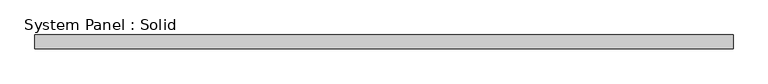
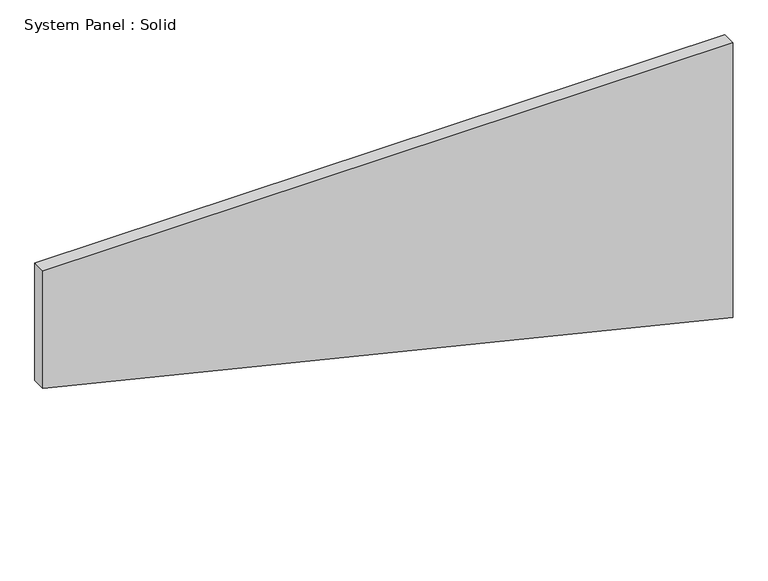
"""IFC4 building model written with IfcOpenShell, lengths in millimetres: plate geometry, System Panel : Solid."""

from ifc_helpers import new_model, si_unit, frame, origin, place, context, project, spatial, polyline, outline, extrude, source, transform, mapped, element, save


def system_panel_solid_83214e53(model_context):
    return source(origin(), model_context, "Body", "SweptSolid", [
        extrude(outline(polyline([(724.8500179, -1500.0), (0.0, 1500.0), (1264.4006302, 1500.0), (1264.4006302, -1500.0), (724.8500179, -1500.0)])), frame((0.0, -10.5, 0.0), z_axis=(0.0, 1.0, 0.0), x_axis=(0.0, 0.0, 1.0)), (0.0, 0.0, 1.0), 60.0),
    ])


if __name__ == "__main__":
    model = new_model("IFC4")
    model_context = context("Model", 3, world=origin())
    ifc_project = project(units=[si_unit("LENGTHUNIT", "METRE", prefix="MILLI")], contexts=[model_context])
    site = spatial("IfcSite", under=ifc_project)
    building = spatial("IfcBuilding", under=site)
    placement = place(None, origin())
    system_panel_solid_shape = system_panel_solid_83214e53(model_context)
    element("IfcPlate", 1, ObjectType="System Panel : Solid", at=placement, inside=building, context=model_context, shape_type="MappedRepresentation", body=[
        mapped(system_panel_solid_shape, transform((0.0, 0.0, 0.0), x_axis=(1.0, 0.0, 0.0), y_axis=(0.0, 1.0, 0.0), z_axis=(0.0, 0.0, 1.0))),
    ])
    save(model, "model.ifc")
